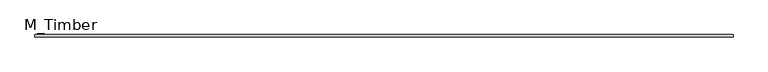
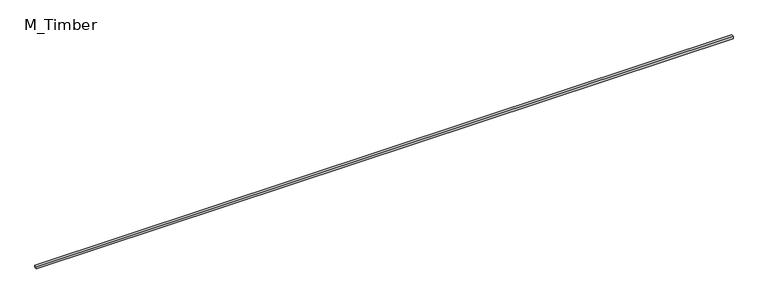
"""IFC4 building model written with IfcOpenShell, lengths in millimetres: beam geometry, M_Timber."""

from ifc_helpers import new_model, si_unit, frame, origin, place, context, project, spatial, polyline, outline, extrude, source, transform, mapped, element, save


def m_timber_976f9696(model_context):
    return source(origin(), model_context, "Body", "SweptSolid", [
        extrude(outline(polyline([(5732.3026367, 20.0), (5732.3026367, -20.0), (-5732.3026367, -20.0), (-5732.3026367, 20.0), (5732.3026367, 20.0)])), frame((0.0, 0.0, -20.0), z_axis=(0.0, 0.0, 1.0), x_axis=(1.0, 0.0, 0.0)), (0.0, 0.0, 1.0), 40.0),
    ])


if __name__ == "__main__":
    model = new_model("IFC4")
    model_context = context("Model", 3, world=origin())
    ifc_project = project(units=[si_unit("LENGTHUNIT", "METRE", prefix="MILLI")], contexts=[model_context])
    site = spatial("IfcSite", under=ifc_project)
    building = spatial("IfcBuilding", under=site)
    placement = place(None, origin())
    m_timber_shape = m_timber_976f9696(model_context)
    element("IfcBeam", 1, ObjectType="M_Timber", at=placement, inside=building, context=model_context, shape_type="MappedRepresentation", body=[
        mapped(m_timber_shape, transform((0.0, 0.0, 0.0), x_axis=(1.0, 0.0, 0.0), y_axis=(0.0, 1.0, 0.0), z_axis=(0.0, 0.0, 1.0))),
    ])
    save(model, "model.ifc")
